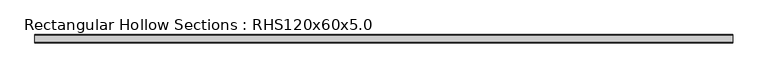
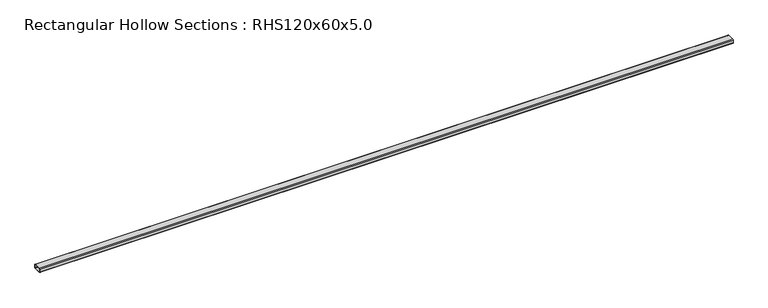
"""IFC4 building model written with IfcOpenShell, lengths in millimetres: beam geometry, Rectangular Hollow Sections : RHS120x60x5.0."""

from ifc_helpers import new_model, si_unit, point, frame, frame_2d, origin, place, context, project, spatial, polyline, circle_curve, trimmed, segment, composite_curve, outline, extrude, source, transform, mapped, element, save


def rectangular_hollow_sections_rhs120x60x5_0_e77df3da(model_context):
    return source(origin(), model_context, "Body", "SweptSolid", [
        extrude(outline(composite_curve([segment(trimmed(circle_curve(frame_2d((-50.0, 20.0)), 10.0), [point((-60.0, 20.0))], [point((-50.0, 30.0))], False, "CARTESIAN"), True, "CONTINUOUS"), segment(polyline([(-50.0, 30.0), (50.0, 30.0)]), True, "CONTINUOUS"), segment(trimmed(circle_curve(frame_2d((50.0, 20.0)), 10.0), [point((50.0, 30.0))], [point((60.0, 20.0))], False, "CARTESIAN"), True, "CONTINUOUS"), segment(polyline([(60.0, 20.0), (60.0, -20.0)]), True, "CONTINUOUS"), segment(trimmed(circle_curve(frame_2d((50.0, -20.0)), 10.0), [point((60.0, -20.0))], [point((50.0, -30.0))], False, "CARTESIAN"), True, "CONTINUOUS"), segment(polyline([(50.0, -30.0), (-50.0, -30.0)]), True, "CONTINUOUS"), segment(trimmed(circle_curve(frame_2d((-50.0, -20.0)), 10.0), [point((-50.0, -30.0))], [point((-60.0, -20.0))], False, "CARTESIAN"), True, "CONTINUOUS"), segment(polyline([(-60.0, -20.0), (-60.0, 20.0)]), True, "CONTINUOUS")], self_intersect=False), holes=[composite_curve([segment(polyline([(50.0, 25.0), (-50.0, 25.0)]), True, "CONTINUOUS"), segment(trimmed(circle_curve(frame_2d((-50.0, 20.0)), 5.0), [point((-50.0, 25.0))], [point((-55.0, 20.0))], True, "CARTESIAN"), True, "CONTINUOUS"), segment(polyline([(-55.0, 20.0), (-55.0, -20.0)]), True, "CONTINUOUS"), segment(trimmed(circle_curve(frame_2d((-50.0, -20.0)), 5.0), [point((-55.0, -20.0))], [point((-50.0, -25.0))], True, "CARTESIAN"), True, "CONTINUOUS"), segment(polyline([(-50.0, -25.0), (50.0, -25.0)]), True, "CONTINUOUS"), segment(trimmed(circle_curve(frame_2d((50.0, -20.0)), 5.0), [point((50.0, -25.0))], [point((55.0, -20.0))], True, "CARTESIAN"), True, "CONTINUOUS"), segment(polyline([(55.0, -20.0), (55.0, 20.0)]), True, "CONTINUOUS"), segment(trimmed(circle_curve(frame_2d((50.0, 20.0)), 5.0), [point((55.0, 20.0))], [point((50.0, 25.0))], True, "CARTESIAN"), True, "CONTINUOUS")], self_intersect=False)]), frame((-5000.0, 0.0, 0.0), z_axis=(1.0, 0.0, 0.0), x_axis=(0.0, 1.0, 0.0)), (0.0, 0.0, 1.0), 10050.0),
    ])


if __name__ == "__main__":
    model = new_model("IFC4")
    model_context = context("Model", 3, world=origin())
    ifc_project = project(units=[si_unit("LENGTHUNIT", "METRE", prefix="MILLI")], contexts=[model_context])
    site = spatial("IfcSite", under=ifc_project)
    building = spatial("IfcBuilding", under=site)
    placement = place(None, origin())
    rectangular_hollow_sections_rhs120x60x5_0_shape = rectangular_hollow_sections_rhs120x60x5_0_e77df3da(model_context)
    element("IfcBeam", 1, ObjectType="Rectangular Hollow Sections : RHS120x60x5.0", at=placement, inside=building, context=model_context, shape_type="MappedRepresentation", body=[
        mapped(rectangular_hollow_sections_rhs120x60x5_0_shape, transform((0.0, 0.0, 0.0), x_axis=(1.0, 0.0, 0.0), y_axis=(0.0, 1.0, 0.0), z_axis=(0.0, 0.0, 1.0))),
    ])
    save(model, "model.ifc")
